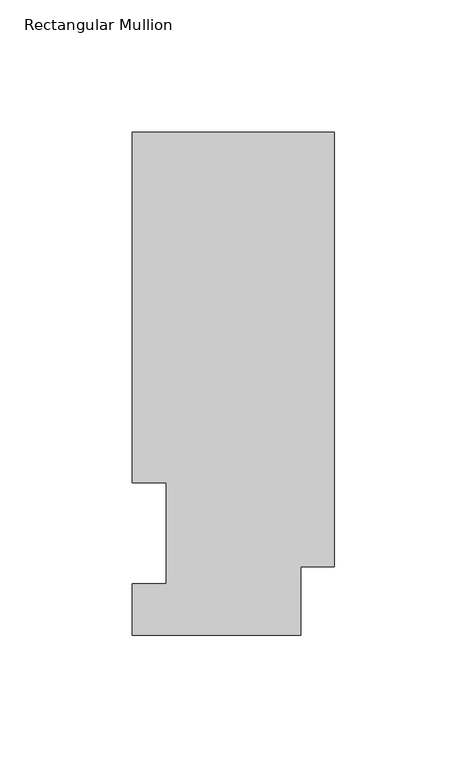
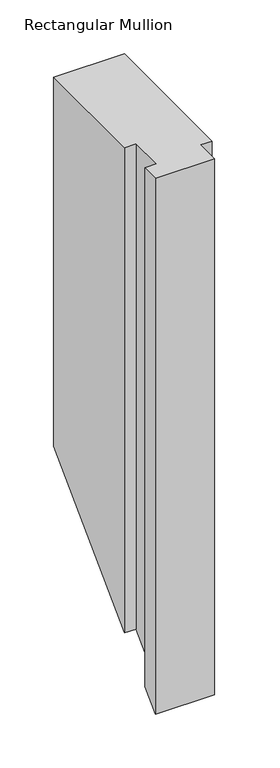
"""IFC4 building model written with IfcOpenShell, lengths in millimetres: member geometry, Rectangular Mullion."""

from ifc_helpers import new_model, si_unit, origin, place, context, project, spatial, faceted_brep, source, transform, mapped, element, save


def rectangular_mullion_15e06889(model_context):
    return source(origin(), model_context, "Body", "Brep", [
        faceted_brep([(0.0, 189.8022938, 0.0), (-76.2, 189.8022937, 0.0), (-76.2, 57.6460937, 0.0), (-63.5, 57.6460937, 0.0), (-63.5, 19.5460938, 0.0), (-76.2, 19.5460938, 0.0), (-76.2, 0.0134938, 0.0), (-12.7, 0.0134938, 0.0), (-12.7, 25.8955957, 0.0), (0.0, 25.8955957, 0.0), (0.0, 189.8022938, -419.7977062), (-76.2, 189.8022937, -419.7977062), (-76.2, 57.6460937, -551.9539062), (-63.5, 57.6460937, -551.9539062), (-63.5, 19.5460938, -590.0539062), (-76.2, 19.5460938, -590.0539062), (-76.2, 0.0134938, -609.5865062), (-12.7, 0.0134938, -609.5865062), (-12.7, 25.8955957, -583.7044043), (0.0, 25.8955957, -583.7044043)], [[[0, 1, 2, 3, 4, 5, 6, 7, 8, 9]], [[1, 0, 10, 11]], [[2, 1, 11, 12]], [[3, 2, 12, 13]], [[4, 3, 13, 14]], [[5, 4, 14, 15]], [[6, 5, 15, 16]], [[7, 6, 16, 17]], [[8, 7, 17, 18]], [[9, 8, 18, 19]], [[0, 9, 19, 10]], [[10, 19, 18, 17, 16, 15, 14, 13, 12, 11]]]),
    ])


if __name__ == "__main__":
    model = new_model("IFC4")
    model_context = context("Model", 3, world=origin())
    ifc_project = project(units=[si_unit("LENGTHUNIT", "METRE", prefix="MILLI")], contexts=[model_context])
    site = spatial("IfcSite", under=ifc_project)
    building = spatial("IfcBuilding", under=site)
    placement = place(None, origin())
    rectangular_mullion_shape = rectangular_mullion_15e06889(model_context)
    element("IfcMember", 1, ObjectType="Rectangular Mullion", at=placement, inside=building, context=model_context, shape_type="MappedRepresentation", body=[
        mapped(rectangular_mullion_shape, transform((0.0, 0.0, 0.0), x_axis=(1.0, 0.0, 0.0), y_axis=(0.0, 1.0, 0.0), z_axis=(0.0, 0.0, 1.0))),
    ])
    save(model, "model.ifc")
